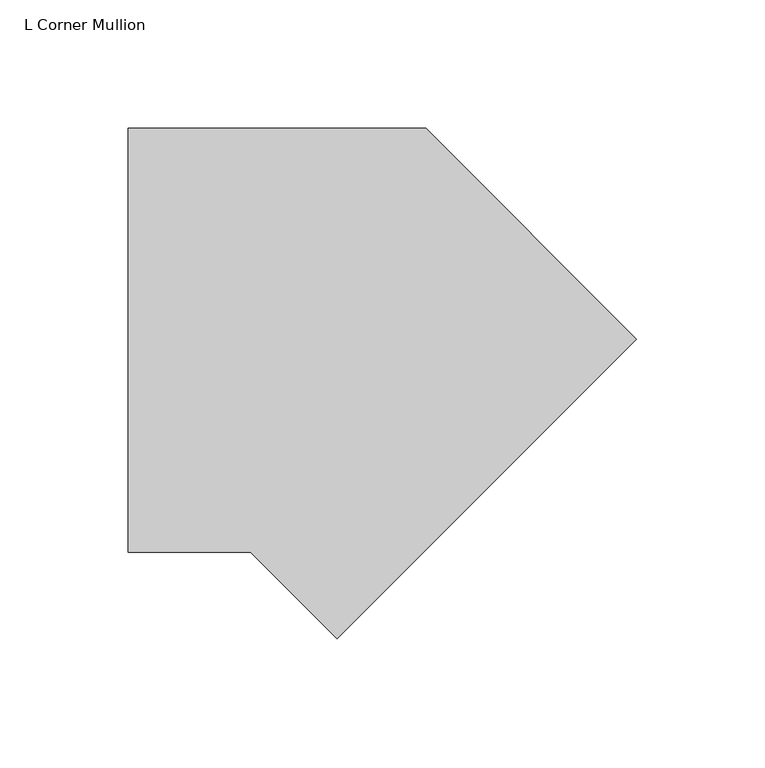
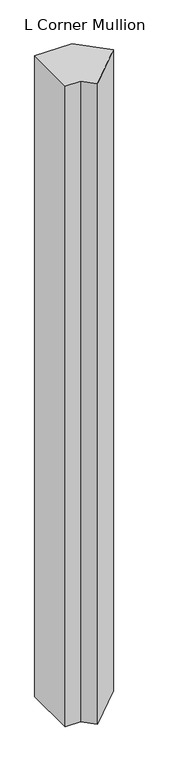
"""IFC4 building model written with IfcOpenShell, lengths in millimetres: member geometry, L Corner Mullion."""

from ifc_helpers import new_model, si_unit, frame, origin, place, context, project, spatial, polyline, outline, extrude, source, transform, mapped, element, save


def l_corner_mullion_fea81b98(model_context):
    return source(origin(), model_context, "Body", "SweptSolid", [
        extrude(outline(polyline([(-29.4239251, -186.1022218), (-63.1261469, -152.4), (-110.7882861, -152.4), (-110.7882861, 12.7), (5.2605122, 12.7), (87.3194045, -69.3588922), (-29.4239251, -186.1022218)])), frame((0.0, 0.0, -2113.59299), z_axis=(0.0, 0.0, 1.0), x_axis=(1.0, 0.0, 0.0)), (0.0, 0.0, 1.0), 2113.59299),
    ])


if __name__ == "__main__":
    model = new_model("IFC4")
    model_context = context("Model", 3, world=origin())
    ifc_project = project(units=[si_unit("LENGTHUNIT", "METRE", prefix="MILLI")], contexts=[model_context])
    site = spatial("IfcSite", under=ifc_project)
    building = spatial("IfcBuilding", under=site)
    placement = place(None, origin())
    l_corner_mullion_shape = l_corner_mullion_fea81b98(model_context)
    element("IfcMember", 1, ObjectType="L Corner Mullion", at=placement, inside=building, context=model_context, shape_type="MappedRepresentation", body=[
        mapped(l_corner_mullion_shape, transform((0.0, 0.0, 0.0), x_axis=(1.0, 0.0, 0.0), y_axis=(0.0, 1.0, 0.0), z_axis=(0.0, 0.0, 1.0))),
    ])
    save(model, "model.ifc")
